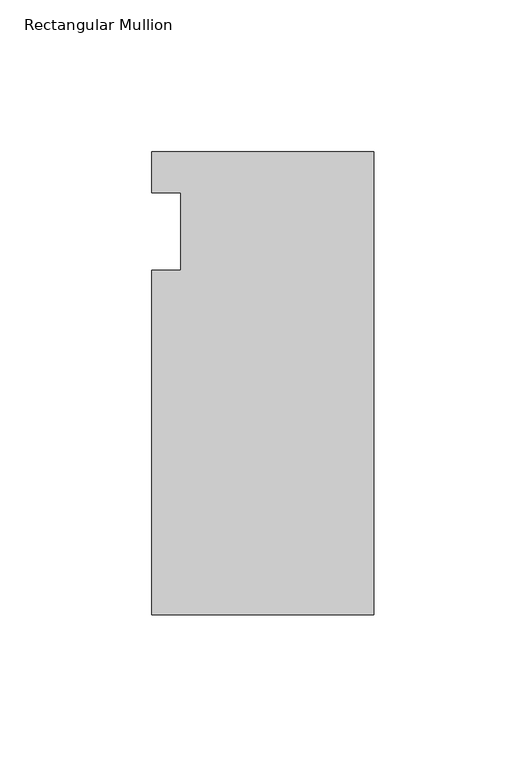
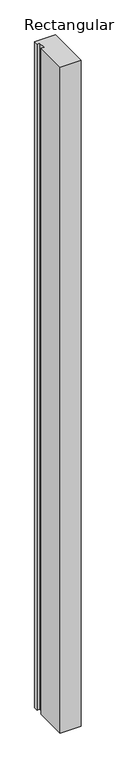
"""IFC4 building model written with IfcOpenShell, lengths in millimetres: member geometry, Rectangular Mullion."""

from ifc_helpers import new_model, si_unit, frame, origin, place, context, project, spatial, polyline, outline, extrude, source, transform, mapped, element, save


def rectangular_mullion_db1d4059(model_context):
    return source(origin(), model_context, "Body", "SweptSolid", [
        extrude(outline(polyline([(-36.5125, 26.19375), (36.5125, 26.19375), (36.5125, -126.20625), (-36.5125, -126.20625), (-36.5125, -12.7), (-26.9875, -12.7), (-26.9875, 12.7), (-36.5125, 12.7), (-36.5125, 26.19375)])), frame((0.0, 0.0, -2438.4), z_axis=(0.0, 0.0, 1.0), x_axis=(1.0, 0.0, 0.0)), (0.0, 0.0, 1.0), 2438.4),
    ])


if __name__ == "__main__":
    model = new_model("IFC4")
    model_context = context("Model", 3, world=origin())
    ifc_project = project(units=[si_unit("LENGTHUNIT", "METRE", prefix="MILLI")], contexts=[model_context])
    site = spatial("IfcSite", under=ifc_project)
    building = spatial("IfcBuilding", under=site)
    placement = place(None, origin())
    rectangular_mullion_shape = rectangular_mullion_db1d4059(model_context)
    element("IfcMember", 1, ObjectType="Rectangular Mullion", at=placement, inside=building, context=model_context, shape_type="MappedRepresentation", body=[
        mapped(rectangular_mullion_shape, transform((0.0, 0.0, 0.0), x_axis=(1.0, 0.0, 0.0), y_axis=(0.0, 1.0, 0.0), z_axis=(0.0, 0.0, 1.0))),
    ])
    save(model, "model.ifc")
